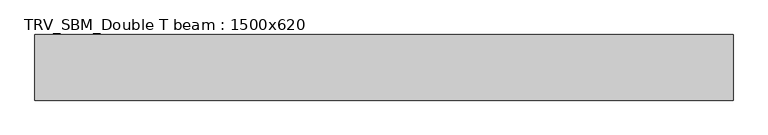
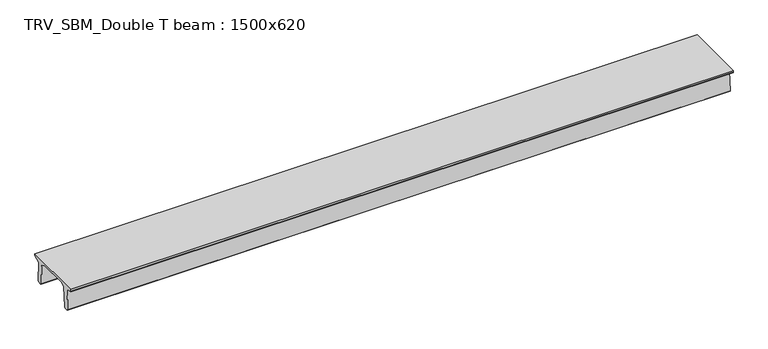
"""IFC4 building model written with IfcOpenShell, lengths in millimetres: beam geometry, TRV_SBM_Double T beam : 1500x620."""

import ifcopenshell
import ifcopenshell.guid

model = None  # the IFC model being written
_history = None  # IfcOwnerHistory: only IFC2X3 demands one
_inside = {}  # id of a spatial element -> (the spatial element, [elements in it])
_under = {}  # id of a project, library or spatial element -> (it, [spatial elements below it])
_declared = {}  # id of a project -> (the project, [libraries it declares])
_typed = {}  # id of a type object -> (the type object, [elements of that type])
_made_of = {}  # id of a material, layer set ... -> (it, [elements and type objects made of it])


def new_model(schema):
    """Start an empty IFC model of exactly this schema.

    Asked for "IFC4X3", IfcOpenShell would pick the latest addendum, in which some entities
    have other attributes; the version numbers below select the first issue.
    IFC2X3 requires an IfcOwnerHistory on every rooted entity: one is made here for all.
    """
    global model, _history
    if schema == "IFC4X3":
        model = ifcopenshell.file(schema_version=(4, 3, 0, 0))
    else:
        model = ifcopenshell.file(schema=schema)
    _inside.clear()
    _under.clear()
    _declared.clear()
    _typed.clear()
    _made_of.clear()
    _history = None
    if model.schema == "IFC2X3":
        org = make("IfcOrganization", Name="unknown")
        user = make(
            "IfcPersonAndOrganization",
            ThePerson=make("IfcPerson", FamilyName="unknown"),
            TheOrganization=org,
        )
        app = make(
            "IfcApplication",
            ApplicationDeveloper=org,
            Version="unknown",
            ApplicationFullName="unknown",
            ApplicationIdentifier="unknown",
        )
        _history = make(
            "IfcOwnerHistory",
            OwningUser=user,
            OwningApplication=app,
            ChangeAction="ADDED",
            CreationDate=0,
        )
    return model


def make(cls, **values):
    """One entity of the class cls with the attributes given. An attribute that is None is left unset."""
    return model.create_entity(
        cls, **{name: value for name, value in values.items() if value is not None}
    )


def rooted(cls, **values):
    """An entity with a GlobalId (a new one), such as an element, a storey or a relation."""
    return make(cls, GlobalId=ifcopenshell.guid.new(), OwnerHistory=_history, **values)


def si_unit(unit_type, name, prefix=None):
    """IfcSIUnit, for example si_unit("LENGTHUNIT", "METRE", prefix="MILLI")."""
    return make("IfcSIUnit", UnitType=unit_type, Prefix=prefix, Name=name)


def assignment(units):
    """IfcUnitAssignment: the units of a project."""
    return None if units is None else make("IfcUnitAssignment", Units=units)


def point(xyz):
    """IfcCartesianPoint."""
    return None if xyz is None else make("IfcCartesianPoint", Coordinates=xyz)


def direction(xyz):
    """IfcDirection."""
    return None if xyz is None else make("IfcDirection", DirectionRatios=xyz)


def frame(location, z_axis=None, x_axis=None):
    """IfcAxis2Placement3D, a coordinate frame: its origin and axes. An axis left out is left unset."""
    return make(
        "IfcAxis2Placement3D",
        Location=point(location),
        Axis=direction(z_axis),
        RefDirection=direction(x_axis),
    )


def origin():
    """The frame at (0, 0, 0) with its axes left unset."""
    return frame((0.0, 0.0, 0.0))


def place(relative_to, where):
    """IfcLocalPlacement: puts the frame where relative to a parent placement (None: the world)."""
    return make(
        "IfcLocalPlacement", PlacementRelTo=relative_to, RelativePlacement=where
    )


def context(
    kind, dimensions, precision=None, world=None, true_north=None, identifier=None
):
    """IfcGeometricRepresentationContext, for example the 3D "Model" context."""
    return make(
        "IfcGeometricRepresentationContext",
        ContextIdentifier=identifier,
        ContextType=kind,
        CoordinateSpaceDimension=dimensions,
        Precision=precision,
        WorldCoordinateSystem=world,
        TrueNorth=true_north,
    )


def project(units=None, contexts=None):
    """IfcProject with its units and contexts."""
    return rooted(
        "IfcProject",
        Name="project",
        RepresentationContexts=contexts,
        UnitsInContext=assignment(units),
    )


def spatial(cls, under=None, at=None, **own):
    """A site, building, storey or space (cls), placed at a placement, below another one or the project."""
    s = rooted(cls, ObjectPlacement=at, **own)
    if under is not None:
        _under.setdefault(under.id(), (under, []))[1].append(s)
    return s


def polyline(points):
    """IfcPolyline through the points."""
    return make("IfcPolyline", Points=[point(p) for p in points])


def outline(outer, holes=None, kind="AREA"):
    """IfcArbitraryClosedProfileDef: a profile drawn as a closed curve; with holes, ...WithVoids."""
    if holes is None:
        return make("IfcArbitraryClosedProfileDef", ProfileType=kind, OuterCurve=outer)
    return make(
        "IfcArbitraryProfileDefWithVoids",
        ProfileType=kind,
        OuterCurve=outer,
        InnerCurves=holes,
    )


def extrude(swept, where, along, depth):
    """IfcExtrudedAreaSolid: the profile swept, set in the frame where, extruded along a direction by depth."""
    return make(
        "IfcExtrudedAreaSolid",
        SweptArea=swept,
        Position=where,
        ExtrudedDirection=direction(along),
        Depth=depth,
    )


def shape(context_of_items, identifier, shape_type, items):
    """IfcShapeRepresentation: the items that make up one representation, for example the "Body"."""
    return make(
        "IfcShapeRepresentation",
        ContextOfItems=context_of_items,
        RepresentationIdentifier=identifier,
        RepresentationType=shape_type,
        Items=items,
    )


def source(mapping_origin, context_of_items, identifier, shape_type, items):
    """IfcRepresentationMap: a shape defined once, which mapped items show again and again."""
    return make(
        "IfcRepresentationMap",
        MappingOrigin=mapping_origin,
        MappedRepresentation=shape(context_of_items, identifier, shape_type, items),
    )


def transform(
    local_origin,
    x_axis=None,
    y_axis=None,
    z_axis=None,
    scale=None,
    scale2=None,
    scale3=None,
    uniform=True,
):
    """IfcCartesianTransformationOperator3D, or its non-uniform kind. x_axis, y_axis, z_axis: its Axis1, 2, 3."""
    if uniform:
        return make(
            "IfcCartesianTransformationOperator3D",
            Axis1=direction(x_axis),
            Axis2=direction(y_axis),
            LocalOrigin=point(local_origin),
            Scale=scale,
            Axis3=direction(z_axis),
        )
    return make(
        "IfcCartesianTransformationOperator3DnonUniform",
        Axis1=direction(x_axis),
        Axis2=direction(y_axis),
        LocalOrigin=point(local_origin),
        Scale=scale,
        Axis3=direction(z_axis),
        Scale2=scale2,
        Scale3=scale3,
    )


def mapped(mapping_source, mapping_target):
    """IfcMappedItem: shows the shape of a source again, moved by a transform."""
    return make(
        "IfcMappedItem", MappingSource=mapping_source, MappingTarget=mapping_target
    )


def made_of(thing, what):
    """Note that an element or type object is made of a material, layer set ...; save() writes the relation."""
    if what is not None:
        _made_of.setdefault(what.id(), (what, []))[1].append(thing)
    return thing


def element(
    cls,
    number,
    at=None,
    inside=None,
    cuts=None,
    type_object=None,
    material=None,
    context=None,
    identifier="Body",
    shape_type=None,
    held_by="IfcProductDefinitionShape",
    body=None,
    shapes=None,
    **own,
):
    """One element of the class cls, such as IfcWall. Its Tag is "e" and its number.

    at: its placement. inside: the storey or other place that contains it. cuts: it is an
    opening in that element (IfcRelVoidsElement). A single representation is given by context,
    identifier, shape_type and body (its items); several are given by shapes. held_by: the class
    of the entity that holds the representations. save() writes the other relations.
    """
    e = rooted(cls, Tag="e%d" % number, ObjectPlacement=at, **own)
    if body is not None:
        shapes = [shape(context, identifier, shape_type, body)]
    if shapes is not None:
        e.Representation = make(held_by, Representations=shapes)
    if inside is not None:
        _inside.setdefault(inside.id(), (inside, []))[1].append(e)
    if cuts is not None:
        rooted(
            "IfcRelVoidsElement", RelatingBuildingElement=cuts, RelatedOpeningElement=e
        )
    if type_object is not None:
        _typed.setdefault(type_object.id(), (type_object, []))[1].append(e)
    return made_of(e, material)


def aggregate(whole, parts):
    """IfcRelAggregates: a whole, such as a stair, and the parts it consists of."""
    return rooted("IfcRelAggregates", RelatingObject=whole, RelatedObjects=parts)


def save(model, path):
    """Write the relations noted so far, then the file.

    IfcRelAggregates (storeys below a building ...), IfcRelContainedInSpatialStructure (elements
    in a storey), IfcRelDefinesByType, IfcRelAssociatesMaterial and IfcRelDeclares: one each for
    every whole, place, type object, material and project.
    """
    for whole, parts in _under.values():
        aggregate(whole, parts)
    for where, things in _inside.values():
        rooted(
            "IfcRelContainedInSpatialStructure",
            RelatedElements=things,
            RelatingStructure=where,
        )
    for kind, things in _typed.values():
        rooted("IfcRelDefinesByType", RelatedObjects=things, RelatingType=kind)
    for what, things in _made_of.values():
        rooted("IfcRelAssociatesMaterial", RelatedObjects=things, RelatingMaterial=what)
    for by, libraries in _declared.values():
        rooted("IfcRelDeclares", RelatingContext=by, RelatedDefinitions=libraries)
    model.write(path)


def trv_sbm_double_t_beam_1500x620_550cbc7a(model_context):
    return source(origin(), model_context, "Body", "SweptSolid", [
        extrude(outline(polyline([(-765.0, 215.0), (-765.0, 260.0), (735.0, 260.0), (735.0, 215.0), (728.2094488, 201.315559), (578.0626443, 140.6523122), (594.8277662, -339.4379646), (574.2657308, -360.0), (484.2657308, -360.0), (464.786332, -340.5206011), (447.8600761, 144.18395), (338.3237744, 210.0), (-367.4555014, 210.0), (-476.5389732, 151.9992892), (-507.0080378, -339.3850967), (-527.622941, -360.0), (-615.122941, -360.0), (-637.1143055, -338.0086356), (-606.1572167, 162.687806), (-761.3068466, 204.260024), (-765.0, 215.0)])), frame((-7939.5, 0.0, 0.0), z_axis=(1.0, 0.0, 0.0), x_axis=(0.0, 1.0, 0.0)), (0.0, 0.0, 1.0), 15956.0),
    ])


if __name__ == "__main__":
    model = new_model("IFC4")
    model_context = context("Model", 3, world=origin())
    ifc_project = project(units=[si_unit("LENGTHUNIT", "METRE", prefix="MILLI")], contexts=[model_context])
    site = spatial("IfcSite", under=ifc_project)
    building = spatial("IfcBuilding", under=site)
    placement = place(None, origin())
    trv_sbm_double_t_beam_1500x620_shape = trv_sbm_double_t_beam_1500x620_550cbc7a(model_context)
    element("IfcBeam", 1, ObjectType="TRV_SBM_Double T beam : 1500x620", at=placement, inside=building, context=model_context, shape_type="MappedRepresentation", body=[
        mapped(trv_sbm_double_t_beam_1500x620_shape, transform((0.0, 0.0, 0.0), x_axis=(1.0, 0.0, 0.0), y_axis=(0.0, 1.0, 0.0), z_axis=(0.0, 0.0, 1.0))),
    ])
    save(model, "model.ifc")
